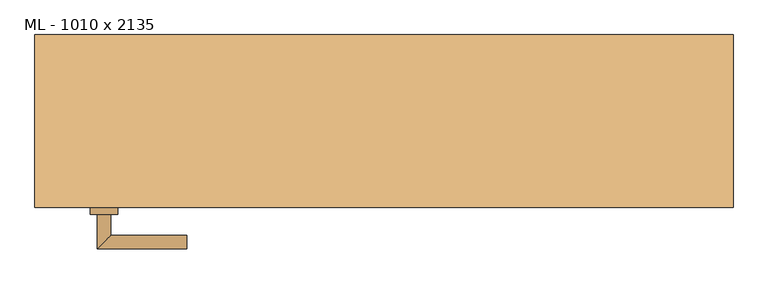
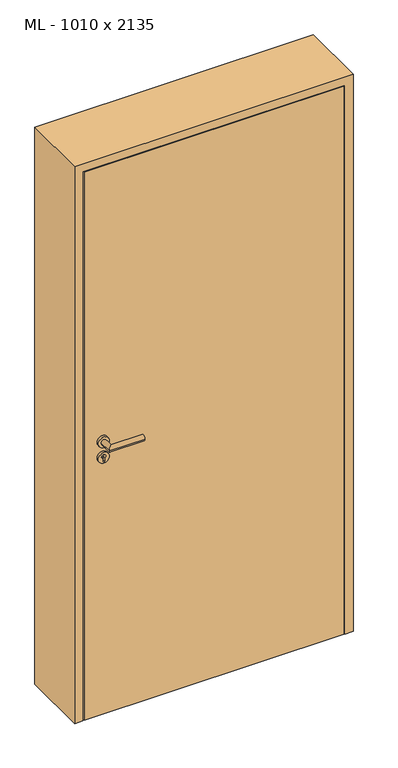
"""IFC4 building model written with IfcOpenShell, lengths in millimetres: door geometry, ML - 1010 x 2135."""

from ifc_helpers import new_model, si_unit, point, frame, frame_2d, origin, origin_with_axes, place, context, project, spatial, polyline, circle_curve, ellipse_curve, trimmed, segment, composite_curve, outline, extrude, faceted_brep, source, transform, mapped, element, save
from ifc_brep_helpers import plane_surface, cylinder_surface, advanced_brep


def ml_1010_x_2135_491ddfe0(model_context):
    return source(origin(), model_context, "Body", "SolidModel", [
        extrude(outline(polyline([(471.0, -125.0), (-471.0, -125.0), (-471.0, -80.0), (471.0, -80.0), (471.0, -125.0)])), origin_with_axes(), (0.0, 0.0, 1.0), 2101.0),
        advanced_brep(
        [(-395.0, -135.0, 1050.0), (-415.0, -135.0, 1050.0), (-415.0, -185.0, 1050.0), (-395.0, -165.0, 1050.0), (-285.0, -165.0, 1050.0), (-285.0, -185.0, 1050.0)],
        [
            (0, 1, circle_curve(frame((-405.0, -135.0, 1050.0), z_axis=(0.0, 1.0, 0.0), x_axis=(-1.0, 0.0, 0.0)), 10.0)),
            (1, 0, circle_curve(frame((-405.0, -135.0, 1050.0), z_axis=(0.0, 1.0, 0.0), x_axis=(-1.0, 0.0, 0.0)), 10.0)),
            (1, 2),
            (2, 3, ellipse_curve(frame((-405.0, -175.0, 1050.0), z_axis=(-0.7071067811865531, 0.7071067811865419, 0.0), x_axis=(0.707106781186542, 0.707106781186553, 0.0)), 14.1421356, 10.0)),
            (3, 0),
            (3, 2, ellipse_curve(frame((-405.0, -175.0, 1050.0), z_axis=(-0.7071067811865531, 0.7071067811865419, 0.0), x_axis=(0.707106781186542, 0.707106781186553, 0.0)), 14.1421356, 10.0)),
            (4, 5, circle_curve(frame((-285.0, -175.0, 1050.0), z_axis=(1.0, 0.0, 0.0), x_axis=(0.0, -1.0, 0.0)), 10.0)),
            (5, 4, circle_curve(frame((-285.0, -175.0, 1050.0), z_axis=(1.0, 0.0, 0.0), x_axis=(0.0, -1.0, 0.0)), 10.0)),
            (2, 5),
            (4, 3),
        ],
        [
            plane_surface(frame((-405.0, -135.0, 1050.0), z_axis=(0.0, 1.0, 0.0), x_axis=(0.0, 0.0, 1.0))),
            cylinder_surface(frame((-405.0, -135.0, 1050.0), z_axis=(0.0, 1.0, 0.0), x_axis=(-1.0, 0.0, 0.0)), 10.0),
            plane_surface(frame((-285.0, -175.0, 1050.0), z_axis=(1.0, 0.0, 0.0), x_axis=(0.0, 0.0, 1.0))),
            cylinder_surface(frame((-405.0, -175.0, 1050.0), z_axis=(-1.0, 0.0, 0.0), x_axis=(0.0, -1.0, 0.0)), 10.0),
        ],
        [
            (0, [[1, 2]]),
            (1, [[3, 4, 5, -2]]),
            (1, [[-5, 6, -3, -1]]),
            (2, [[7, 8]]),
            (3, [[9, -7, 10, -4]]),
            (3, [[-10, -8, -9, -6]]),
        ],
    ),
        extrude(outline(composite_curve([segment(trimmed(circle_curve(frame_2d((990.0, -405.0)), 20.0), [point((990.0, -425.0))], [point((990.0, -385.0))], False, "CARTESIAN"), True, "CONTINUOUS"), segment(trimmed(circle_curve(frame_2d((990.0, -405.0)), 20.0), [point((990.0, -385.0))], [point((990.0, -425.0))], False, "CARTESIAN"), True, "CONTINUOUS")], self_intersect=False), holes=[composite_curve([segment(polyline([(976.4601385, -407.397268), (988.4749012, -407.397268)]), True, "CONTINUOUS"), segment(trimmed(circle_curve(frame_2d((995.0361633, -405.0)), 6.9854888), [point((988.4749012, -407.397268))], [point((988.4749012, -402.602732))], True, "CARTESIAN"), True, "CONTINUOUS"), segment(polyline([(988.4749012, -402.602732), (976.4601385, -402.602732)]), True, "CONTINUOUS"), segment(trimmed(circle_curve(frame_2d((976.4601385, -405.0)), 2.397268), [point((976.4601385, -402.602732))], [point((976.4601385, -407.397268))], True, "CARTESIAN"), True, "CONTINUOUS")], self_intersect=False)]), frame((0.0, -135.0, 0.0), z_axis=(0.0, 1.0, 0.0), x_axis=(0.0, 0.0, 1.0)), (0.0, 0.0, 1.0), 10.0),
        advanced_brep(
        [(-395.0, -135.0, 1050.0), (-415.0, -135.0, 1050.0), (-415.0, -185.0, 1050.0), (-395.0, -165.0, 1050.0), (-285.0, -165.0, 1050.0), (-285.0, -185.0, 1050.0)],
        [
            (0, 1, circle_curve(frame((-405.0, -135.0, 1050.0), z_axis=(0.0, 1.0, 0.0), x_axis=(-1.0, 0.0, 0.0)), 10.0)),
            (1, 0, circle_curve(frame((-405.0, -135.0, 1050.0), z_axis=(0.0, 1.0, 0.0), x_axis=(-1.0, 0.0, 0.0)), 10.0)),
            (1, 2),
            (2, 3, ellipse_curve(frame((-405.0, -175.0, 1050.0), z_axis=(-0.7071067811865537, 0.7071067811865414, 0.0), x_axis=(0.7071067811865414, 0.7071067811865536, 0.0)), 14.1421356, 10.0)),
            (3, 0),
            (3, 2, ellipse_curve(frame((-405.0, -175.0, 1050.0), z_axis=(-0.7071067811865537, 0.7071067811865414, 0.0), x_axis=(0.7071067811865414, 0.7071067811865536, 0.0)), 14.1421356, 10.0)),
            (4, 5, circle_curve(frame((-285.0, -175.0, 1050.0), z_axis=(1.0, 0.0, 0.0), x_axis=(0.0, -1.0, 0.0)), 10.0)),
            (5, 4, circle_curve(frame((-285.0, -175.0, 1050.0), z_axis=(1.0, 0.0, 0.0), x_axis=(0.0, -1.0, 0.0)), 10.0)),
            (2, 5),
            (4, 3),
        ],
        [
            plane_surface(frame((-405.0, -135.0, 1050.0), z_axis=(0.0, 1.0, 0.0), x_axis=(0.0, 0.0, 1.0))),
            cylinder_surface(frame((-405.0, -135.0, 1050.0), z_axis=(0.0, 1.0, 0.0), x_axis=(-1.0, 0.0, 0.0)), 10.0),
            plane_surface(frame((-285.0, -175.0, 1050.0), z_axis=(1.0, 0.0, 0.0), x_axis=(0.0, 0.0, 1.0))),
            cylinder_surface(frame((-405.0, -175.0, 1050.0), z_axis=(-1.0, 0.0, 0.0), x_axis=(0.0, -1.0, 0.0)), 10.0),
        ],
        [
            (0, [[1, 2]]),
            (1, [[3, 4, 5, -2]]),
            (1, [[-5, 6, -3, -1]]),
            (2, [[7, 8]]),
            (3, [[9, -7, 10, -4]]),
            (3, [[-10, -8, -9, -6]]),
        ],
    ),
        extrude(outline(composite_curve([segment(trimmed(circle_curve(frame_2d((1050.0, -405.0)), 20.0), [point((1050.0, -425.0))], [point((1050.0, -385.0))], False, "CARTESIAN"), True, "CONTINUOUS"), segment(trimmed(circle_curve(frame_2d((1050.0, -405.0)), 20.0), [point((1050.0, -385.0))], [point((1050.0, -425.0))], False, "CARTESIAN"), True, "CONTINUOUS")], self_intersect=False)), frame((0.0, -135.0, 0.0), z_axis=(0.0, 1.0, 0.0), x_axis=(0.0, 0.0, 1.0)), (0.0, 0.0, 1.0), 10.0),
        advanced_brep(
        [(-395.0, -70.0, 1050.0), (-415.0, -70.0, 1050.0), (-395.0, -40.0, 1050.0), (-415.0, -20.0, 1050.0), (-285.0, -40.0, 1050.0), (-285.0, -20.0, 1050.0)],
        [
            (0, 1, circle_curve(frame((-405.0, -70.0, 1050.0), z_axis=(0.0, -1.0, 0.0), x_axis=(-1.0, 0.0, 0.0)), 10.0)),
            (1, 0, circle_curve(frame((-405.0, -70.0, 1050.0), z_axis=(0.0, -1.0, 0.0), x_axis=(-1.0, 0.0, 0.0)), 10.0)),
            (0, 2),
            (2, 3, ellipse_curve(frame((-405.0, -30.0, 1050.0), z_axis=(-0.7071067811865486, -0.7071067811865464, 0.0), x_axis=(0.7071067811865464, -0.7071067811865488, 0.0)), 14.1421356, 10.0)),
            (3, 1),
            (3, 2, ellipse_curve(frame((-405.0, -30.0, 1050.0), z_axis=(-0.7071067811865486, -0.7071067811865464, 0.0), x_axis=(0.7071067811865464, -0.7071067811865488, 0.0)), 14.1421356, 10.0)),
            (4, 5, circle_curve(frame((-285.0, -30.0, 1050.0), z_axis=(1.0, 0.0, 0.0), x_axis=(0.0, 1.0, 0.0)), 10.0)),
            (5, 4, circle_curve(frame((-285.0, -30.0, 1050.0), z_axis=(1.0, 0.0, 0.0), x_axis=(0.0, 1.0, 0.0)), 10.0)),
            (2, 4),
            (5, 3),
        ],
        [
            plane_surface(frame((-405.0, -70.0, 1050.0), z_axis=(0.0, -1.0, 0.0), x_axis=(0.0, 0.0, 1.0))),
            cylinder_surface(frame((-405.0, -70.0, 1050.0), z_axis=(0.0, -1.0, 0.0), x_axis=(-1.0, 0.0, 0.0)), 10.0),
            plane_surface(frame((-285.0, -30.0, 1050.0), z_axis=(1.0, 0.0, 0.0), x_axis=(0.0, 0.0, 1.0))),
            cylinder_surface(frame((-405.0, -30.0, 1050.0), z_axis=(-1.0, 0.0, 0.0), x_axis=(0.0, 1.0, 0.0)), 10.0),
        ],
        [
            (0, [[1, 2]]),
            (1, [[-1, 3, 4, 5]]),
            (1, [[-2, -5, 6, -3]]),
            (2, [[7, 8]]),
            (3, [[-4, 9, -8, 10]]),
            (3, [[-6, -10, -7, -9]]),
        ],
    ),
        extrude(outline(composite_curve([segment(trimmed(circle_curve(frame_2d((990.0, -405.0)), 20.0), [point((990.0, -425.0))], [point((990.0, -385.0))], False, "CARTESIAN"), True, "CONTINUOUS"), segment(trimmed(circle_curve(frame_2d((990.0, -405.0)), 20.0), [point((990.0, -385.0))], [point((990.0, -425.0))], False, "CARTESIAN"), True, "CONTINUOUS")], self_intersect=False), holes=[composite_curve([segment(polyline([(976.4601385, -407.397268), (988.4749012, -407.397268)]), True, "CONTINUOUS"), segment(trimmed(circle_curve(frame_2d((995.0361633, -405.0)), 6.9854888), [point((988.4749012, -407.397268))], [point((988.4749012, -402.602732))], True, "CARTESIAN"), True, "CONTINUOUS"), segment(polyline([(988.4749012, -402.602732), (976.4601385, -402.602732)]), True, "CONTINUOUS"), segment(trimmed(circle_curve(frame_2d((976.4601385, -405.0)), 2.397268), [point((976.4601385, -402.602732))], [point((976.4601385, -407.397268))], True, "CARTESIAN"), True, "CONTINUOUS")], self_intersect=False)]), frame((0.0, -80.0, 0.0), z_axis=(0.0, 1.0, 0.0), x_axis=(0.0, 0.0, 1.0)), (0.0, 0.0, 1.0), 10.0),
        advanced_brep(
        [(-395.0, -70.0, 1050.0), (-415.0, -70.0, 1050.0), (-395.0, -40.0, 1050.0), (-415.0, -20.0, 1050.0), (-285.0, -40.0, 1050.0), (-285.0, -20.0, 1050.0)],
        [
            (0, 1, circle_curve(frame((-405.0, -70.0, 1050.0), z_axis=(0.0, -1.0, 0.0), x_axis=(-1.0, 0.0, 0.0)), 10.0)),
            (1, 0, circle_curve(frame((-405.0, -70.0, 1050.0), z_axis=(0.0, -1.0, 0.0), x_axis=(-1.0, 0.0, 0.0)), 10.0)),
            (0, 2),
            (2, 3, ellipse_curve(frame((-405.0, -30.0, 1050.0), z_axis=(-0.7071067811865491, -0.7071067811865459, 0.0), x_axis=(0.7071067811865458, -0.7071067811865492, 0.0)), 14.1421356, 10.0)),
            (3, 1),
            (3, 2, ellipse_curve(frame((-405.0, -30.0, 1050.0), z_axis=(-0.7071067811865491, -0.7071067811865459, 0.0), x_axis=(0.7071067811865458, -0.7071067811865492, 0.0)), 14.1421356, 10.0)),
            (4, 5, circle_curve(frame((-285.0, -30.0, 1050.0), z_axis=(1.0, 0.0, 0.0), x_axis=(0.0, 1.0, 0.0)), 10.0)),
            (5, 4, circle_curve(frame((-285.0, -30.0, 1050.0), z_axis=(1.0, 0.0, 0.0), x_axis=(0.0, 1.0, 0.0)), 10.0)),
            (2, 4),
            (5, 3),
        ],
        [
            plane_surface(frame((-405.0, -70.0, 1050.0), z_axis=(0.0, -1.0, 0.0), x_axis=(0.0, 0.0, 1.0))),
            cylinder_surface(frame((-405.0, -70.0, 1050.0), z_axis=(0.0, -1.0, 0.0), x_axis=(-1.0, 0.0, 0.0)), 10.0),
            plane_surface(frame((-285.0, -30.0, 1050.0), z_axis=(1.0, 0.0, 0.0), x_axis=(0.0, 0.0, 1.0))),
            cylinder_surface(frame((-405.0, -30.0, 1050.0), z_axis=(-1.0, 0.0, 0.0), x_axis=(0.0, 1.0, 0.0)), 10.0),
        ],
        [
            (0, [[1, 2]]),
            (1, [[-1, 3, 4, 5]]),
            (1, [[-2, -5, 6, -3]]),
            (2, [[7, 8]]),
            (3, [[-4, 9, -8, 10]]),
            (3, [[-6, -10, -7, -9]]),
        ],
    ),
        extrude(outline(composite_curve([segment(trimmed(circle_curve(frame_2d((1050.0, -405.0)), 20.0), [point((1050.0, -425.0))], [point((1050.0, -385.0))], False, "CARTESIAN"), True, "CONTINUOUS"), segment(trimmed(circle_curve(frame_2d((1050.0, -405.0)), 20.0), [point((1050.0, -385.0))], [point((1050.0, -425.0))], False, "CARTESIAN"), True, "CONTINUOUS")], self_intersect=False)), frame((0.0, -80.0, 0.0), z_axis=(0.0, 1.0, 0.0), x_axis=(0.0, 0.0, 1.0)), (0.0, 0.0, 1.0), 10.0),
        faceted_brep([(-475.0, -125.0, 0.0), (-505.0, -125.0, 0.0), (-505.0, 125.0, 0.0), (-460.0, 125.0, 0.0), (-460.0, -80.0, 0.0), (-475.0, -80.0, 0.0), (-475.0, -80.0, 2105.0), (-475.0, -125.0, 2105.0), (-460.0, -80.0, 2090.0), (460.0, -80.0, 2090.0), (460.0, -80.0, 0.0), (475.0, -80.0, 0.0), (475.0, -80.0, 2105.0), (-460.0, 125.0, 2090.0), (-505.0, 125.0, 2135.0), (505.0, 125.0, 2135.0), (505.0, 125.0, 0.0), (460.0, 125.0, 0.0), (460.0, 125.0, 2090.0), (-505.0, -125.0, 2135.0), (475.0, -125.0, 2105.0), (475.0, -125.0, 0.0), (505.0, -125.0, 0.0), (505.0, -125.0, 2135.0)], [[[0, 1, 2, 3, 4, 5]], [[5, 6, 7, 0]], [[4, 8, 9, 10, 11, 12, 6, 5]], [[3, 13, 8, 4]], [[2, 14, 15, 16, 17, 18, 13, 3]], [[1, 19, 14, 2]], [[0, 7, 20, 21, 22, 23, 19, 1]], [[23, 22, 16, 15]], [[21, 11, 10, 17, 16, 22]], [[12, 11, 21, 20]], [[18, 17, 10, 9]], [[19, 23, 15, 14]], [[13, 18, 9, 8]], [[6, 12, 20, 7]]]),
    ])


if __name__ == "__main__":
    model = new_model("IFC4")
    model_context = context("Model", 3, world=origin())
    ifc_project = project(units=[si_unit("LENGTHUNIT", "METRE", prefix="MILLI")], contexts=[model_context])
    site = spatial("IfcSite", under=ifc_project)
    building = spatial("IfcBuilding", under=site)
    placement = place(None, origin())
    ml_1010_x_2135_shape = ml_1010_x_2135_491ddfe0(model_context)
    element("IfcDoor", 1, ObjectType="ML - 1010 x 2135", at=placement, inside=building, context=model_context, shape_type="MappedRepresentation", body=[
        mapped(ml_1010_x_2135_shape, transform((0.0, 0.0, 0.0), x_axis=(1.0, 0.0, 0.0), y_axis=(0.0, 1.0, 0.0), z_axis=(0.0, 0.0, 1.0))),
    ])
    save(model, "model.ifc")
